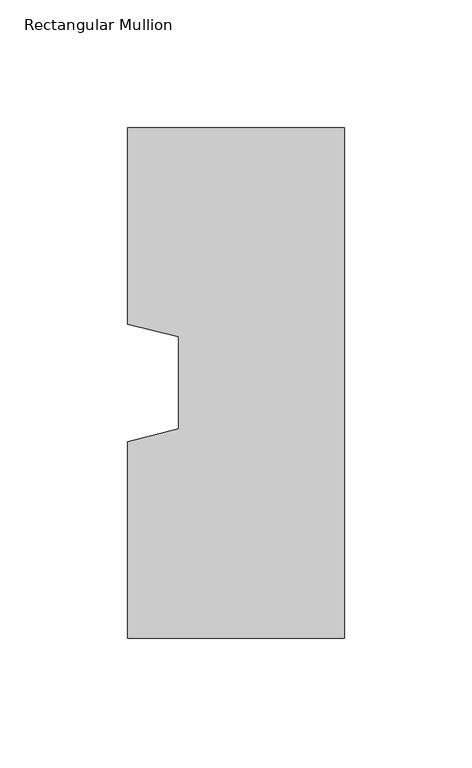
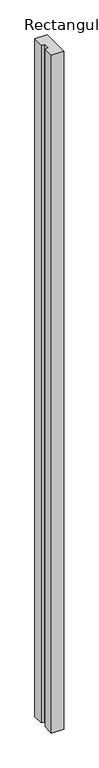
"""IFC4 building model written with IfcOpenShell, lengths in millimetres: column geometry, Rectangular Mullion."""

from ifc_helpers import new_model, si_unit, frame, origin, place, context, project, spatial, polyline, outline, extrude, source, transform, mapped, element, save


def rectangular_mullion_e1bce463(model_context):
    return source(origin(), model_context, "Body", "SweptSolid", [
        extrude(outline(polyline([(-85.0, -100.0), (-85.0, -23.0), (-65.0, -18.0), (-65.0, 18.0), (-85.0, 23.0), (-85.0, 100.0), (0.0, 100.0), (0.0, -100.0), (-85.0, -100.0)])), frame((0.0, 0.0, -5000.0), z_axis=(0.0, 0.0, 1.0), x_axis=(1.0, 0.0, 0.0)), (0.0, 0.0, 1.0), 5000.0),
    ])


if __name__ == "__main__":
    model = new_model("IFC4")
    model_context = context("Model", 3, world=origin())
    ifc_project = project(units=[si_unit("LENGTHUNIT", "METRE", prefix="MILLI")], contexts=[model_context])
    site = spatial("IfcSite", under=ifc_project)
    building = spatial("IfcBuilding", under=site)
    placement = place(None, origin())
    rectangular_mullion_shape = rectangular_mullion_e1bce463(model_context)
    element("IfcColumn", 1, ObjectType="Rectangular Mullion", at=placement, inside=building, context=model_context, shape_type="MappedRepresentation", body=[
        mapped(rectangular_mullion_shape, transform((0.0, 0.0, 0.0), x_axis=(1.0, 0.0, 0.0), y_axis=(0.0, 1.0, 0.0), z_axis=(0.0, 0.0, 1.0))),
    ])
    save(model, "model.ifc")
